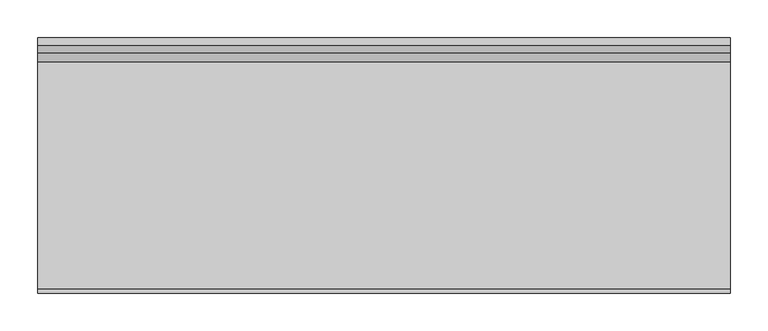
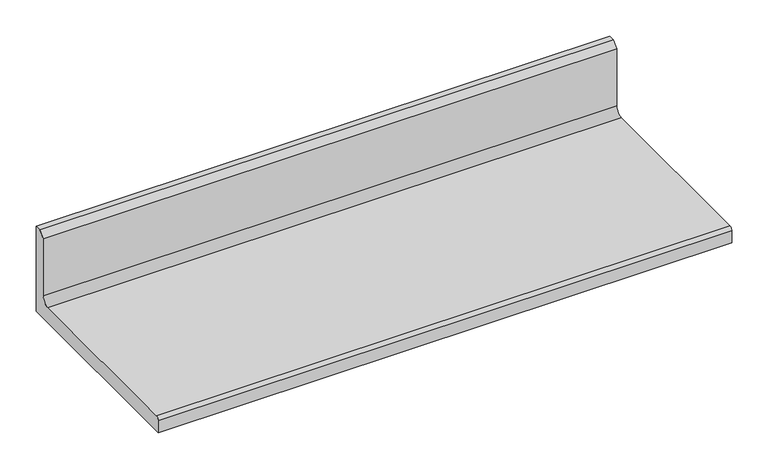
"""IFC4 building model written with IfcOpenShell, lengths in millimetres: furniture geometry."""

from ifc_helpers import new_model, si_unit, point, frame, frame_2d, origin, place, context, project, spatial, polyline, circle_curve, trimmed, segment, composite_curve, outline, extrude, source, transform, mapped, element, save


def furniture_914e1db0(model_context):
    return source(origin(), model_context, "Body", "SweptSolid", [
        extrude(outline(composite_curve([segment(polyline([(168.529, 1106.297), (168.529, 962.66508), (-168.529, 962.66508), (-168.529, 982.47708)]), True, "CONTINUOUS"), segment(trimmed(circle_curve(frame_2d((-162.941, 982.47708)), 5.588), [point((-168.529, 982.47708))], [point((-162.941, 988.06508))], False, "CARTESIAN"), True, "CONTINUOUS"), segment(polyline([(-162.941, 988.06508), (136.271, 988.06508)]), True, "CONTINUOUS"), segment(trimmed(circle_curve(frame_2d((136.271, 1000.76508)), 12.7), [point((136.271, 988.06508))], [point((148.971, 1000.76508))], True, "CARTESIAN"), True, "CONTINUOUS"), segment(polyline([(148.971, 1000.76508), (148.971, 1096.772), (158.496, 1106.297), (168.529, 1106.297)]), True, "CONTINUOUS")], self_intersect=False)), frame((-457.2, 0.0, 0.0), z_axis=(1.0, 0.0, 0.0), x_axis=(0.0, 1.0, 0.0)), (0.0, 0.0, 1.0), 914.4),
    ])


if __name__ == "__main__":
    model = new_model("IFC4")
    model_context = context("Model", 3, world=origin())
    ifc_project = project(units=[si_unit("LENGTHUNIT", "METRE", prefix="MILLI")], contexts=[model_context])
    site = spatial("IfcSite", under=ifc_project)
    building = spatial("IfcBuilding", under=site)
    placement = place(None, origin())
    furniture_shape = furniture_914e1db0(model_context)
    element("IfcFurniture", 1, at=placement, inside=building, context=model_context, shape_type="MappedRepresentation", body=[
        mapped(furniture_shape, transform((0.0, 0.0, 0.0), x_axis=(1.0, 0.0, 0.0), y_axis=(0.0, 1.0, 0.0), z_axis=(0.0, 0.0, 1.0))),
    ])
    save(model, "model.ifc")
